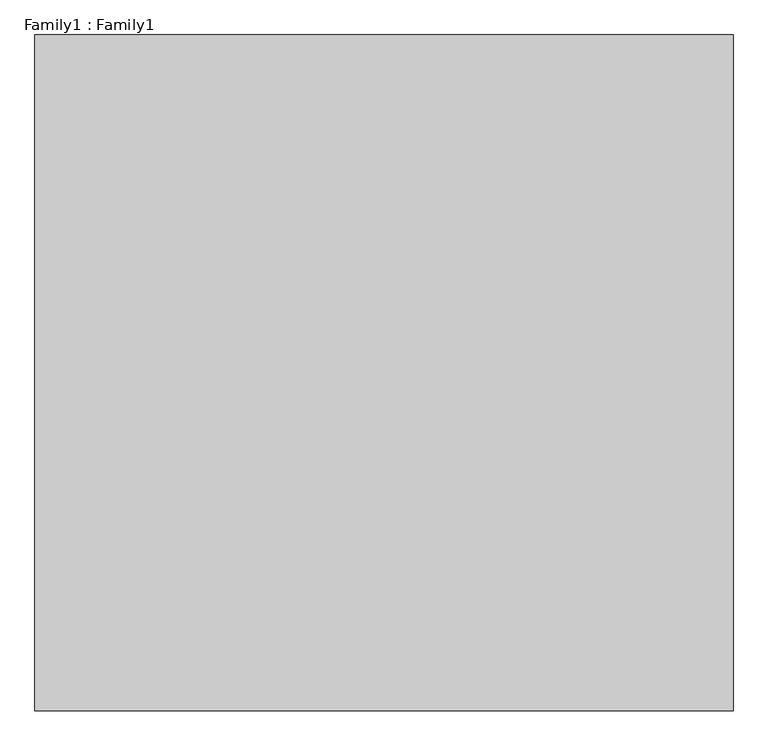
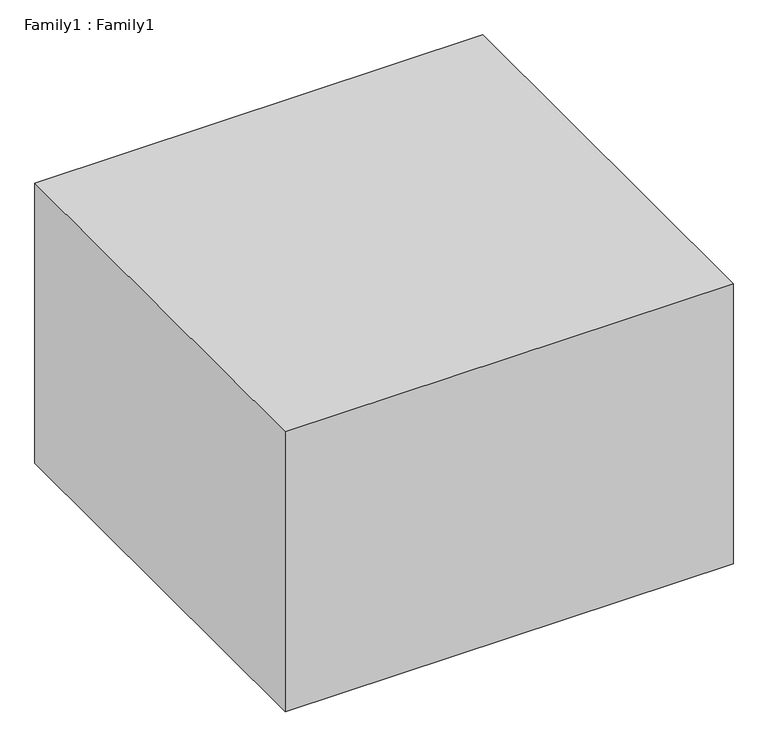
"""IFC4 building model written with IfcOpenShell, lengths in millimetres: proxy geometry, Family1 : Family1."""

from ifc_helpers import new_model, si_unit, origin, origin_with_axes, place, context, project, spatial, polyline, outline, extrude, source, transform, mapped, element, save


def family1_family1_9be52c09(model_context):
    return source(origin(), model_context, "Body", "SweptSolid", [
        extrude(outline(polyline([(10737.9050457, 7400.0), (10737.9050457, -8900.1344867), (-6100.0, -8900.1344867), (-6100.0, 7400.0), (10737.9050457, 7400.0)])), origin_with_axes(), (0.0, 0.0, 1.0), 11133.0918171),
    ])


if __name__ == "__main__":
    model = new_model("IFC4")
    model_context = context("Model", 3, world=origin())
    ifc_project = project(units=[si_unit("LENGTHUNIT", "METRE", prefix="MILLI")], contexts=[model_context])
    site = spatial("IfcSite", under=ifc_project)
    building = spatial("IfcBuilding", under=site)
    placement = place(None, origin())
    family1_family1_shape = family1_family1_9be52c09(model_context)
    element("IfcBuildingElementProxy", 1, Name="Family1 : Family1", ObjectType="Family1 : Family1", at=placement, inside=building, context=model_context, shape_type="MappedRepresentation", body=[
        mapped(family1_family1_shape, transform((0.0, 0.0, 0.0), x_axis=(1.0, 0.0, 0.0), y_axis=(0.0, 1.0, 0.0), z_axis=(0.0, 0.0, 1.0))),
    ])
    save(model, "model.ifc")
